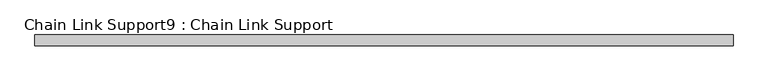
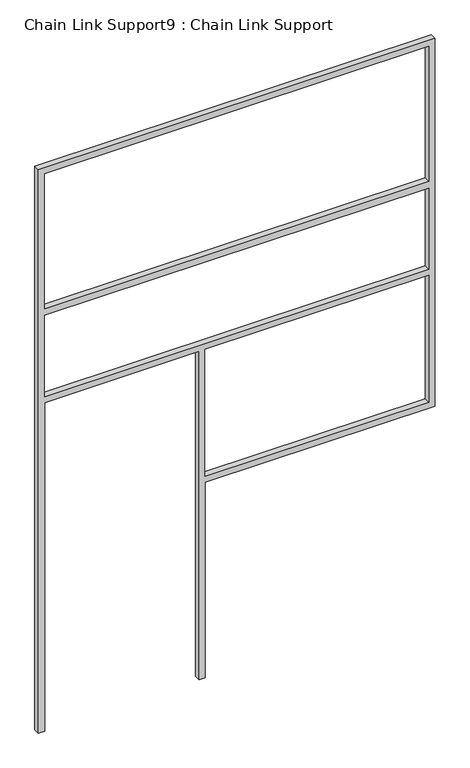
"""IFC4 building model written with IfcOpenShell, lengths in millimetres: proxy geometry, Chain Link Support9 : Chain Link Support."""

from ifc_helpers import new_model, si_unit, frame, origin, place, context, project, spatial, polyline, outline, extrude, source, transform, mapped, element, save


def chain_link_support9_chain_link_support_03d9488a(model_context):
    return source(origin(), model_context, "Body", "SweptSolid", [
        extrude(outline(polyline([(3657.6, -22068.2118371), (0.0, -22068.2118371), (0.0, -22030.1118371), (2133.6, -22030.1118371), (2133.6, -21080.7868371), (0.0, -21080.7868371), (0.0, -21042.6868371), (1270.0, -21042.6868371), (1270.0, -19629.8118371), (3657.6, -19629.8118371), (3657.6, -22068.2118371)]), holes=[polyline([(2743.2, -22030.1118371), (3619.5, -22030.1118371), (3619.5, -19667.9118371), (2743.2, -19667.9118371), (2743.2, -22030.1118371)]), polyline([(1308.1, -19667.9118371), (1308.1, -21042.6868371), (2133.6, -21042.6868371), (2133.6, -19667.9118371), (1308.1, -19667.9118371)]), polyline([(2171.7, -22030.1118371), (2698.75, -22030.1118371), (2698.75, -19667.9118371), (2171.7, -19667.9118371), (2171.7, -22030.1118371)])]), frame((0.0, 738.9021235, 0.0), z_axis=(0.0, 1.0, 0.0), x_axis=(0.0, 0.0, 1.0)), (0.0, 0.0, 1.0), 38.1),
    ])


if __name__ == "__main__":
    model = new_model("IFC4")
    model_context = context("Model", 3, world=origin())
    ifc_project = project(units=[si_unit("LENGTHUNIT", "METRE", prefix="MILLI")], contexts=[model_context])
    site = spatial("IfcSite", under=ifc_project)
    building = spatial("IfcBuilding", under=site)
    placement = place(None, origin())
    chain_link_support9_chain_link_support_shape = chain_link_support9_chain_link_support_03d9488a(model_context)
    element("IfcBuildingElementProxy", 1, Name="Chain Link Support9 : Chain Link Support", ObjectType="Chain Link Support9 : Chain Link Support", at=placement, inside=building, context=model_context, shape_type="MappedRepresentation", body=[
        mapped(chain_link_support9_chain_link_support_shape, transform((0.0, 0.0, 0.0), x_axis=(1.0, 0.0, 0.0), y_axis=(0.0, 1.0, 0.0), z_axis=(0.0, 0.0, 1.0))),
    ])
    save(model, "model.ifc")
